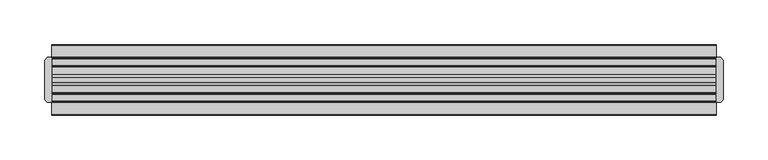
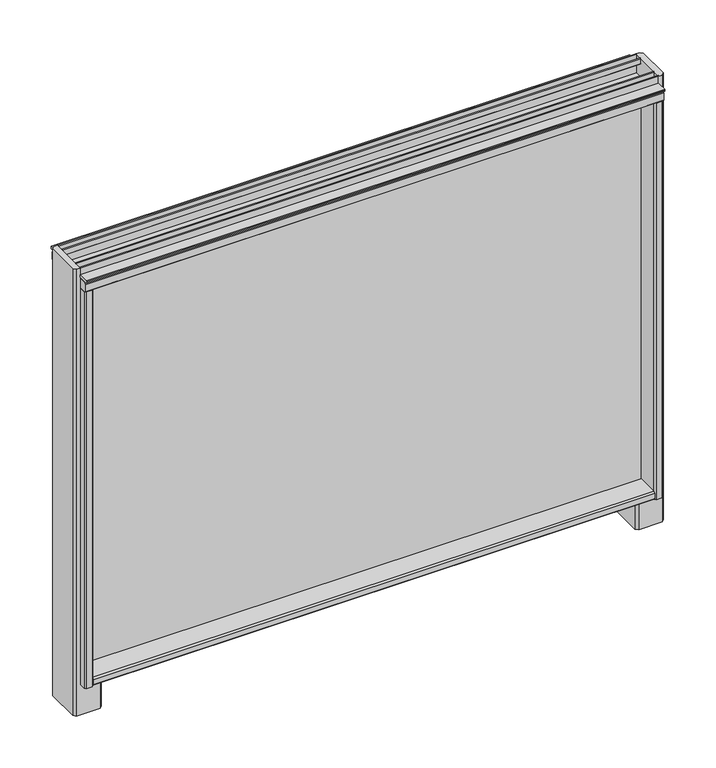
"""IFC4 building model written with IfcOpenShell, lengths in millimetres: furniture geometry."""

from ifc_helpers import new_model, si_unit, frame, origin, place, context, project, spatial, polyline, outline, extrude, faceted_brep, source, transform, mapped, element, save


def furniture_79e8cbaf(model_context):
    return source(origin(), model_context, "Body", "SolidModel", [
        extrude(outline(polyline([(-27.0409102, 1596.1763357), (-40.5028792, 1596.1763357), (-41.2648967, 1598.5892698), (-40.5028792, 1599.3512873), (-27.0409102, 1599.3512873), (-27.0409102, 1596.1763357)])), frame((-840.427047, 0.0, 0.0), z_axis=(1.0, 0.0, 0.0), x_axis=(0.0, 1.0, 0.0)), (0.0, 0.0, 1.0), 745.8787647),
        extrude(outline(polyline([(23.7590898, 1596.1763357), (23.7590898, 1599.3512873), (37.2212041, 1599.3512873), (37.9830762, 1598.5892698), (37.2212041, 1596.1763357), (23.7590898, 1596.1763357)])), frame((-840.427047, 0.0, 0.0), z_axis=(1.0, 0.0, 0.0), x_axis=(0.0, 1.0, 0.0)), (0.0, 0.0, 1.0), 745.8787647),
        faceted_brep([(-105.4702901, -35.7961223, 1052.3115191), (-105.4702901, -37.5819335, 1050.5335752), (-105.4702901, -37.5819335, 1043.1676004), (-105.4702901, -35.7961223, 1041.4), (-105.4702901, 32.5143503, 1041.4), (-105.4702901, 34.300113, 1043.1676004), (-105.4702901, 34.300113, 1050.5335752), (-105.4702901, 32.5143503, 1052.3115191), (-105.4702901, 4.2011266, 1052.3115191), (-105.4702901, 2.1691285, 1050.5335752), (-105.4702901, 2.1691285, 1045.3264803), (-105.4702901, 0.3911847, 1043.5485365), (-105.4702901, -3.6728114, 1043.5485365), (-105.4702901, -5.4509005, 1045.3264803), (-105.4702901, -5.4509005, 1050.5335752), (-105.4702901, -7.4828986, 1052.3115191), (-829.4973172, -35.7961223, 1052.3115191), (-829.4973172, -7.4828986, 1052.3115191), (-829.4973172, -5.4509005, 1050.5335752), (-829.4973172, -5.4509005, 1045.3264803), (-829.4973172, -3.6729567, 1043.5485365), (-829.4973172, 0.3913301, 1043.5485365), (-829.4973172, 2.1691285, 1045.3264803), (-829.4973172, 2.1691285, 1050.5335752), (-829.4973172, 4.2011266, 1052.3115191), (-829.4973172, 32.5143503, 1052.3115191), (-829.4973172, 34.300113, 1050.5335752), (-829.4973172, 34.300113, 1043.1676004), (-829.4973172, 32.5143503, 1041.4), (-829.4973172, -35.7961223, 1041.4), (-829.4973172, -37.5819335, 1043.1676004), (-829.4973172, -37.5819335, 1050.5335752)], [[[0, 1, 2, 3, 4, 5, 6, 7, 8, 9, 10, 11, 12, 13, 14, 15]], [[16, 17, 18, 19, 20, 21, 22, 23, 24, 25, 26, 27, 28, 29, 30, 31]], [[1, 0, 16, 31]], [[2, 1, 31, 30]], [[3, 2, 30, 29]], [[4, 3, 29, 28]], [[5, 4, 28, 27]], [[6, 5, 27, 26]], [[7, 6, 26, 25]], [[8, 7, 25, 24]], [[9, 8, 24, 23]], [[10, 9, 23, 22]], [[11, 10, 22, 21]], [[12, 11, 21, 20]], [[13, 12, 20, 19]], [[14, 13, 19, 18]], [[15, 14, 18, 17]], [[0, 15, 17, 16]]]),
        faceted_brep([(-814.7653676, -27.0409102, 1041.4), (-811.5902707, -23.8659587, 1041.4), (-811.5902707, 20.5841382, 1041.4), (-814.7653676, 23.7590898, 1041.4), (-829.4973172, 23.7590898, 1041.4), (-829.4973172, 3.9548342, 1041.4), (-831.2751157, 2.1691285, 1041.4), (-836.482356, 2.1691285, 1041.4), (-838.2601545, 0.3913301, 1041.4), (-838.2601545, -3.6728114, 1041.4), (-836.4820653, -5.4509005, 1041.4), (-831.2751157, -5.4509005, 1041.4), (-829.4973172, -7.2366547, 1041.4), (-829.4973172, -27.0409102, 1041.4), (-845.3007966, 23.7590898, 999.9265625), (-814.7653676, 23.7590898, 999.9265625), (-811.5902707, 20.5841382, 999.9265625), (-811.5902707, -23.8659587, 999.9265625), (-814.7653676, -27.0409102, 999.9265625), (-845.3007966, -27.0409102, 999.9265625), (-848.4836583, -23.8659587, 999.9265625), (-848.4836583, 20.5841382, 999.9265625), (-848.4836583, 20.5841382, 1608.534375), (-845.3007966, 23.7590898, 1608.534375), (-848.4836583, -23.8659587, 1608.534375), (-845.3007241, -27.0408375, 1608.534375), (-840.427047, -27.0409102, 1041.4), (-840.427047, -27.0409102, 1581.7237295), (-840.427047, -27.0409102, 1608.534375), (-840.427047, 23.7590898, 1608.534375), (-840.427047, 23.7590898, 1581.7237295), (-840.427047, 23.7590898, 1041.4), (-838.6412359, 34.300113, 1581.7237295), (-840.427047, 32.5143503, 1581.7237295), (-840.427047, -35.7961223, 1581.7237295), (-838.6412359, -37.5819335, 1581.7237295), (-831.2751157, -37.5819335, 1581.7237295), (-829.4973172, -35.7961223, 1581.7237295), (-829.4973172, -7.2366547, 1581.7237295), (-831.2751157, -5.4509005, 1581.7237295), (-836.482356, -5.4509005, 1581.7237295), (-838.2601545, -3.6728114, 1581.7237295), (-838.2601545, 0.3913301, 1581.7237295), (-836.482356, 2.1691285, 1581.7237295), (-831.2751157, 2.1691285, 1581.7237295), (-829.4973172, 3.9548342, 1581.7237295), (-829.4973172, 32.5143503, 1581.7237295), (-831.2751157, 34.300113, 1581.7237295), (-838.6412359, 34.300113, 1041.4), (-831.2751157, 34.300113, 1041.4), (-829.4973172, 32.5143503, 1041.4), (-840.427047, 32.5143503, 1041.4), (-829.4973172, -35.7961223, 1041.4), (-831.2751157, -37.5819335, 1041.4), (-838.6412359, -37.5819335, 1041.4), (-840.427047, -35.7961223, 1041.4)], [[[0, 1, 2, 3, 4, 5, 6, 7, 8, 9, 10, 11, 12, 13]], [[14, 15, 16, 17, 18, 19, 20, 21]], [[14, 21, 22, 23]], [[21, 20, 24, 22]], [[20, 19, 25, 24]], [[19, 18, 0, 13, 26, 27, 28, 25]], [[1, 0, 18, 17]], [[2, 1, 17, 16]], [[3, 2, 16, 15]], [[15, 14, 23, 29, 30, 31, 4, 3]], [[23, 22, 24, 25, 28, 29]], [[29, 28, 27, 30]], [[32, 33, 30, 27, 34, 35, 36, 37, 38, 39, 40, 41, 42, 43, 44, 45, 46, 47]], [[48, 49, 50, 4, 31, 51]], [[52, 53, 54, 55, 26, 13]], [[33, 32, 48, 51]], [[33, 51, 31, 30]], [[55, 34, 27, 26]], [[35, 34, 55, 54]], [[36, 35, 54, 53]], [[37, 36, 53, 52]], [[46, 45, 5, 4, 50]], [[47, 46, 50, 49]], [[32, 47, 49, 48]], [[38, 37, 52, 13, 12]], [[39, 38, 12, 11]], [[40, 39, 11, 10]], [[41, 40, 10, 9]], [[42, 41, 9, 8]], [[43, 42, 8, 7]], [[44, 43, 7, 6]], [[45, 44, 6, 5]]]),
        faceted_brep([(-120.2022397, 23.7590898, 1041.4), (-123.3773366, 20.5841382, 1041.4), (-123.3773366, -23.8659587, 1041.4), (-120.2022397, -27.0409102, 1041.4), (-105.4702901, -27.0409102, 1041.4), (-105.4702901, -7.2366547, 1041.4), (-103.692201, -5.4509005, 1041.4), (-98.4852514, -5.4429844, 1041.4), (-96.7071622, -3.6728114, 1041.4), (-96.7027863, 0.3913301, 1041.4), (-98.4852514, 2.1691285, 1041.4), (-103.692201, 2.1770447, 1041.4), (-105.4702901, 3.9548342, 1041.4), (-105.4702901, 23.7590898, 1041.4), (-86.4836583, 20.5841382, 999.9265625), (-86.4836583, -23.8659587, 999.9265625), (-89.6587552, -27.0409102, 999.9265625), (-120.2022397, -27.0409102, 999.9265625), (-123.3773366, -23.8659587, 999.9265625), (-123.3773366, 20.5841382, 999.9265625), (-120.2022397, 23.7590898, 999.9265625), (-89.6587552, 23.7590898, 999.9265625), (-89.6587552, 23.7590898, 1608.534375), (-94.5482824, 23.7590898, 1608.534375), (-94.5482824, -27.0408618, 1608.534375), (-89.6587552, -27.0408618, 1608.534375), (-86.4836583, -23.8657649, 1608.534375), (-86.4836583, 20.5839929, 1608.534375), (-94.5482824, 23.7590898, 1581.7237295), (-94.5482824, -27.0408618, 1581.7237295), (-103.692201, 34.300113, 1581.7237295), (-105.4702901, 32.5143503, 1581.7237295), (-105.4702901, 3.9548342, 1581.7237295), (-103.692201, 2.1691285, 1581.7237295), (-98.4852514, 2.1770447, 1581.7237295), (-96.7071622, 0.3913301, 1581.7237295), (-96.7027863, -3.6728114, 1581.7237295), (-98.4852514, -5.4509005, 1581.7237295), (-103.692201, -5.4429844, 1581.7237295), (-105.4702901, -7.2366547, 1581.7237295), (-105.4702901, -35.7961223, 1581.7237295), (-103.692201, -37.5819335, 1581.7237295), (-96.3263715, -37.5819335, 1581.7237295), (-94.5482824, -35.7961223, 1581.7237295), (-94.5482824, 32.5143503, 1581.7237295), (-96.3263715, 34.300113, 1581.7237295), (-103.692201, 34.300113, 1041.4), (-96.3263715, 34.300113, 1041.4), (-94.5482824, 32.5143503, 1041.4), (-94.5482824, 23.7590898, 1041.4), (-105.4702901, 32.5143503, 1041.4), (-94.5482824, -35.7961223, 1041.4), (-96.3263715, -37.5819335, 1041.4), (-103.692201, -37.5819335, 1041.4), (-105.4702901, -35.7961223, 1041.4), (-94.5482824, -27.0409102, 1041.4)], [[[0, 1, 2, 3, 4, 5, 6, 7, 8, 9, 10, 11, 12, 13]], [[14, 15, 16, 17, 18, 19, 20, 21]], [[22, 23, 24, 25, 26, 27]], [[24, 23, 28, 29]], [[30, 31, 32, 33, 34, 35, 36, 37, 38, 39, 40, 41, 42, 43, 29, 28, 44, 45]], [[46, 47, 48, 49, 13, 50]], [[51, 52, 53, 54, 4, 55]], [[31, 30, 46, 50]], [[41, 40, 54, 53]], [[42, 41, 53, 52]], [[43, 42, 52, 51]], [[43, 51, 55, 29]], [[48, 44, 28, 49]], [[45, 44, 48, 47]], [[30, 45, 47, 46]], [[32, 31, 50, 13, 12]], [[33, 32, 12, 11]], [[34, 33, 11, 10]], [[35, 34, 10, 9]], [[36, 35, 9, 8]], [[37, 36, 8, 7]], [[38, 37, 7, 6]], [[39, 38, 6, 5]], [[40, 39, 5, 4, 54]], [[14, 21, 22, 27]], [[21, 20, 0, 13, 49, 28, 23, 22]], [[1, 0, 20, 19]], [[2, 1, 19, 18]], [[3, 2, 18, 17]], [[17, 16, 25, 24, 29, 55, 4, 3]], [[16, 15, 26, 25]], [[15, 14, 27, 26]]]),
        extrude(outline(polyline([(-27.0409102, 1608.5355578), (-26.253531, 1609.3231153), (-25.4661517, 1608.536049), (-25.4661517, 1601.8913939), (-17.693661, 1601.8913939), (-17.693661, 1608.5425612), (-16.8647414, 1609.326255), (-16.1189025, 1608.5239564), (-16.1189025, 1601.3832853), (-17.693661, 1599.8593958), (-25.4661517, 1599.8593958), (-25.4661517, 1583.7557276), (-7.4828986, 1583.7557276), (-7.4828986, 1589.4363644), (-4.4348288, 1592.5187101), (1.1532022, 1592.5187101), (4.2011266, 1589.4365097), (4.2011266, 1583.7557276), (22.1843313, 1583.7557276), (22.1843313, 1599.8593958), (14.412276, 1599.8593958), (12.837082, 1601.3832853), (12.837082, 1608.5344025), (13.624534, 1609.3231153), (14.4119859, 1608.5343702), (14.4119859, 1601.8913939), (22.1843313, 1601.8913939), (22.1843313, 1608.536049), (22.9717105, 1609.327929), (23.7590898, 1608.534375), (23.7590898, 1594.4236811), (33.5843009, 1594.4236811), (35.1892061, 1592.8187759), (35.1892061, 1583.2477644), (33.6651712, 1581.7237295), (3.6931634, 1581.7237295), (2.1691285, 1583.2477644), (2.1691285, 1590.4422865), (-5.4509005, 1590.4422865), (-5.4509005, 1583.2477644), (-6.9749354, 1581.7237295), (-36.9467978, 1581.7237295), (-38.4708327, 1583.2477644), (-38.4708327, 1592.8996462), (-36.9467978, 1594.4236811), (-27.0409102, 1594.4236811), (-27.0409102, 1608.5355578)])), frame((-840.427047, 0.0, 0.0), z_axis=(1.0, 0.0, 0.0), x_axis=(0.0, 1.0, 0.0)), (0.0, 0.0, 1.0), 745.8787647),
        extrude(outline(polyline([(-102.9936971, -0.0534102), (-102.9936971, -3.2284102), (-831.9736196, -3.2284102), (-831.9736196, -0.0534102), (-102.9936971, -0.0534102)])), frame((0.0, 0.0, 1043.5485365), z_axis=(0.0, 0.0, 1.0), x_axis=(1.0, 0.0, 0.0)), (0.0, 0.0, 1.0), 546.89375),
    ])


if __name__ == "__main__":
    model = new_model("IFC4")
    model_context = context("Model", 3, world=origin())
    ifc_project = project(units=[si_unit("LENGTHUNIT", "METRE", prefix="MILLI")], contexts=[model_context])
    site = spatial("IfcSite", under=ifc_project)
    building = spatial("IfcBuilding", under=site)
    placement = place(None, origin())
    furniture_shape = furniture_79e8cbaf(model_context)
    element("IfcFurniture", 1, at=placement, inside=building, context=model_context, shape_type="MappedRepresentation", body=[
        mapped(furniture_shape, transform((0.0, 0.0, 0.0), x_axis=(1.0, 0.0, 0.0), y_axis=(0.0, 1.0, 0.0), z_axis=(0.0, 0.0, 1.0))),
    ])
    save(model, "model.ifc")
